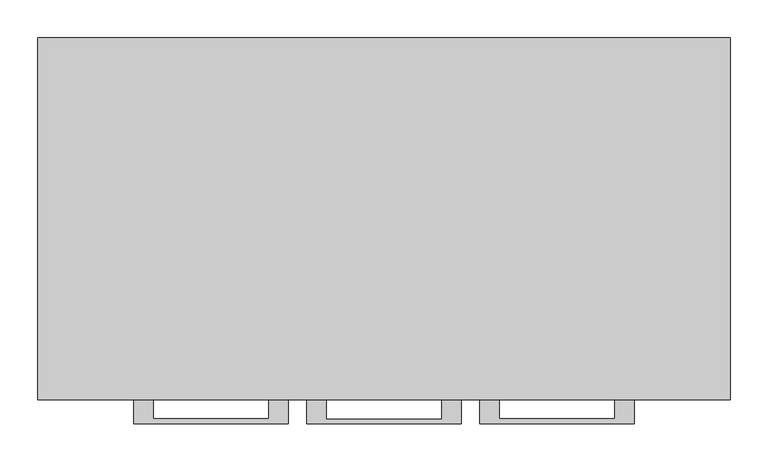
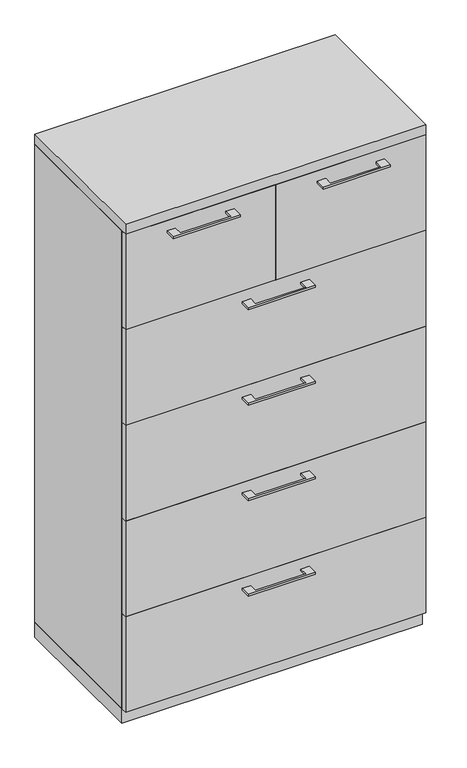
"""IFC4 building model written with IfcOpenShell, lengths in millimetres: furniture geometry."""

import ifcopenshell
import ifcopenshell.guid

model = None  # the IFC model being written
_history = None  # IfcOwnerHistory: only IFC2X3 demands one
_inside = {}  # id of a spatial element -> (the spatial element, [elements in it])
_under = {}  # id of a project, library or spatial element -> (it, [spatial elements below it])
_declared = {}  # id of a project -> (the project, [libraries it declares])
_typed = {}  # id of a type object -> (the type object, [elements of that type])
_made_of = {}  # id of a material, layer set ... -> (it, [elements and type objects made of it])


def new_model(schema):
    """Start an empty IFC model of exactly this schema.

    Asked for "IFC4X3", IfcOpenShell would pick the latest addendum, in which some entities
    have other attributes; the version numbers below select the first issue.
    IFC2X3 requires an IfcOwnerHistory on every rooted entity: one is made here for all.
    """
    global model, _history
    if schema == "IFC4X3":
        model = ifcopenshell.file(schema_version=(4, 3, 0, 0))
    else:
        model = ifcopenshell.file(schema=schema)
    _inside.clear()
    _under.clear()
    _declared.clear()
    _typed.clear()
    _made_of.clear()
    _history = None
    if model.schema == "IFC2X3":
        org = make("IfcOrganization", Name="unknown")
        user = make(
            "IfcPersonAndOrganization",
            ThePerson=make("IfcPerson", FamilyName="unknown"),
            TheOrganization=org,
        )
        app = make(
            "IfcApplication",
            ApplicationDeveloper=org,
            Version="unknown",
            ApplicationFullName="unknown",
            ApplicationIdentifier="unknown",
        )
        _history = make(
            "IfcOwnerHistory",
            OwningUser=user,
            OwningApplication=app,
            ChangeAction="ADDED",
            CreationDate=0,
        )
    return model


def make(cls, **values):
    """One entity of the class cls with the attributes given. An attribute that is None is left unset."""
    return model.create_entity(
        cls, **{name: value for name, value in values.items() if value is not None}
    )


def rooted(cls, **values):
    """An entity with a GlobalId (a new one), such as an element, a storey or a relation."""
    return make(cls, GlobalId=ifcopenshell.guid.new(), OwnerHistory=_history, **values)


def si_unit(unit_type, name, prefix=None):
    """IfcSIUnit, for example si_unit("LENGTHUNIT", "METRE", prefix="MILLI")."""
    return make("IfcSIUnit", UnitType=unit_type, Prefix=prefix, Name=name)


def assignment(units):
    """IfcUnitAssignment: the units of a project."""
    return None if units is None else make("IfcUnitAssignment", Units=units)


def point(xyz):
    """IfcCartesianPoint."""
    return None if xyz is None else make("IfcCartesianPoint", Coordinates=xyz)


def direction(xyz):
    """IfcDirection."""
    return None if xyz is None else make("IfcDirection", DirectionRatios=xyz)


def frame(location, z_axis=None, x_axis=None):
    """IfcAxis2Placement3D, a coordinate frame: its origin and axes. An axis left out is left unset."""
    return make(
        "IfcAxis2Placement3D",
        Location=point(location),
        Axis=direction(z_axis),
        RefDirection=direction(x_axis),
    )


def origin():
    """The frame at (0, 0, 0) with its axes left unset."""
    return frame((0.0, 0.0, 0.0))


def origin_with_axes():
    """The frame at (0, 0, 0) with the z axis (0, 0, 1) and the x axis (1, 0, 0) written out."""
    return frame((0.0, 0.0, 0.0), z_axis=(0.0, 0.0, 1.0), x_axis=(1.0, 0.0, 0.0))


def place(relative_to, where):
    """IfcLocalPlacement: puts the frame where relative to a parent placement (None: the world)."""
    return make(
        "IfcLocalPlacement", PlacementRelTo=relative_to, RelativePlacement=where
    )


def context(
    kind, dimensions, precision=None, world=None, true_north=None, identifier=None
):
    """IfcGeometricRepresentationContext, for example the 3D "Model" context."""
    return make(
        "IfcGeometricRepresentationContext",
        ContextIdentifier=identifier,
        ContextType=kind,
        CoordinateSpaceDimension=dimensions,
        Precision=precision,
        WorldCoordinateSystem=world,
        TrueNorth=true_north,
    )


def project(units=None, contexts=None):
    """IfcProject with its units and contexts."""
    return rooted(
        "IfcProject",
        Name="project",
        RepresentationContexts=contexts,
        UnitsInContext=assignment(units),
    )


def spatial(cls, under=None, at=None, **own):
    """A site, building, storey or space (cls), placed at a placement, below another one or the project."""
    s = rooted(cls, ObjectPlacement=at, **own)
    if under is not None:
        _under.setdefault(under.id(), (under, []))[1].append(s)
    return s


def polyline(points):
    """IfcPolyline through the points."""
    return make("IfcPolyline", Points=[point(p) for p in points])


def outline(outer, holes=None, kind="AREA"):
    """IfcArbitraryClosedProfileDef: a profile drawn as a closed curve; with holes, ...WithVoids."""
    if holes is None:
        return make("IfcArbitraryClosedProfileDef", ProfileType=kind, OuterCurve=outer)
    return make(
        "IfcArbitraryProfileDefWithVoids",
        ProfileType=kind,
        OuterCurve=outer,
        InnerCurves=holes,
    )


def extrude(swept, where, along, depth):
    """IfcExtrudedAreaSolid: the profile swept, set in the frame where, extruded along a direction by depth."""
    return make(
        "IfcExtrudedAreaSolid",
        SweptArea=swept,
        Position=where,
        ExtrudedDirection=direction(along),
        Depth=depth,
    )


def shape(context_of_items, identifier, shape_type, items):
    """IfcShapeRepresentation: the items that make up one representation, for example the "Body"."""
    return make(
        "IfcShapeRepresentation",
        ContextOfItems=context_of_items,
        RepresentationIdentifier=identifier,
        RepresentationType=shape_type,
        Items=items,
    )


def source(mapping_origin, context_of_items, identifier, shape_type, items):
    """IfcRepresentationMap: a shape defined once, which mapped items show again and again."""
    return make(
        "IfcRepresentationMap",
        MappingOrigin=mapping_origin,
        MappedRepresentation=shape(context_of_items, identifier, shape_type, items),
    )


def transform(
    local_origin,
    x_axis=None,
    y_axis=None,
    z_axis=None,
    scale=None,
    scale2=None,
    scale3=None,
    uniform=True,
):
    """IfcCartesianTransformationOperator3D, or its non-uniform kind. x_axis, y_axis, z_axis: its Axis1, 2, 3."""
    if uniform:
        return make(
            "IfcCartesianTransformationOperator3D",
            Axis1=direction(x_axis),
            Axis2=direction(y_axis),
            LocalOrigin=point(local_origin),
            Scale=scale,
            Axis3=direction(z_axis),
        )
    return make(
        "IfcCartesianTransformationOperator3DnonUniform",
        Axis1=direction(x_axis),
        Axis2=direction(y_axis),
        LocalOrigin=point(local_origin),
        Scale=scale,
        Axis3=direction(z_axis),
        Scale2=scale2,
        Scale3=scale3,
    )


def mapped(mapping_source, mapping_target):
    """IfcMappedItem: shows the shape of a source again, moved by a transform."""
    return make(
        "IfcMappedItem", MappingSource=mapping_source, MappingTarget=mapping_target
    )


def made_of(thing, what):
    """Note that an element or type object is made of a material, layer set ...; save() writes the relation."""
    if what is not None:
        _made_of.setdefault(what.id(), (what, []))[1].append(thing)
    return thing


def element(
    cls,
    number,
    at=None,
    inside=None,
    cuts=None,
    type_object=None,
    material=None,
    context=None,
    identifier="Body",
    shape_type=None,
    held_by="IfcProductDefinitionShape",
    body=None,
    shapes=None,
    **own,
):
    """One element of the class cls, such as IfcWall. Its Tag is "e" and its number.

    at: its placement. inside: the storey or other place that contains it. cuts: it is an
    opening in that element (IfcRelVoidsElement). A single representation is given by context,
    identifier, shape_type and body (its items); several are given by shapes. held_by: the class
    of the entity that holds the representations. save() writes the other relations.
    """
    e = rooted(cls, Tag="e%d" % number, ObjectPlacement=at, **own)
    if body is not None:
        shapes = [shape(context, identifier, shape_type, body)]
    if shapes is not None:
        e.Representation = make(held_by, Representations=shapes)
    if inside is not None:
        _inside.setdefault(inside.id(), (inside, []))[1].append(e)
    if cuts is not None:
        rooted(
            "IfcRelVoidsElement", RelatingBuildingElement=cuts, RelatedOpeningElement=e
        )
    if type_object is not None:
        _typed.setdefault(type_object.id(), (type_object, []))[1].append(e)
    return made_of(e, material)


def aggregate(whole, parts):
    """IfcRelAggregates: a whole, such as a stair, and the parts it consists of."""
    return rooted("IfcRelAggregates", RelatingObject=whole, RelatedObjects=parts)


def save(model, path):
    """Write the relations noted so far, then the file.

    IfcRelAggregates (storeys below a building ...), IfcRelContainedInSpatialStructure (elements
    in a storey), IfcRelDefinesByType, IfcRelAssociatesMaterial and IfcRelDeclares: one each for
    every whole, place, type object, material and project.
    """
    for whole, parts in _under.values():
        aggregate(whole, parts)
    for where, things in _inside.values():
        rooted(
            "IfcRelContainedInSpatialStructure",
            RelatedElements=things,
            RelatingStructure=where,
        )
    for kind, things in _typed.values():
        rooted("IfcRelDefinesByType", RelatedObjects=things, RelatingType=kind)
    for what, things in _made_of.values():
        rooted("IfcRelAssociatesMaterial", RelatedObjects=things, RelatingMaterial=what)
    for by, libraries in _declared.values():
        rooted("IfcRelDeclares", RelatingContext=by, RelatedDefinitions=libraries)
    model.write(path)


def furniture_ea1031c6(model_context):
    return source(origin(), model_context, "Body", "SweptSolid", [
        extrude(outline(polyline([(-76.1999818, -476.25), (-76.1999818, -501.6499758), (76.2, -501.6499758), (76.2, -476.25), (101.5999939, -476.25), (101.5999939, -507.9999879), (-101.5999939, -507.9999879), (-101.5999939, -476.25), (-76.1999818, -476.25)])), frame((0.0, 0.0, 1234.7575506), z_axis=(0.0, 0.0, 1.0), x_axis=(1.0, 0.0, 0.0)), (0.0, 0.0, 1.0), 6.3499758),
        extrude(outline(polyline([(455.6125, -457.2), (455.6125, -476.25), (-455.6125, -476.25), (-455.6125, -457.2), (455.6125, -457.2)])), frame((0.0, 0.0, 967.74), z_axis=(0.0, 0.0, 1.0), x_axis=(1.0, 0.0, 0.0)), (0.0, 0.0, 1.0), 306.705),
        extrude(outline(polyline([(-76.1999818, -476.25), (-76.1999818, -501.6499758), (76.2, -501.6499758), (76.2, -476.25), (101.5999939, -476.25), (101.5999939, -507.9999879), (-101.5999939, -507.9999879), (-101.5999939, -476.25), (-76.1999818, -476.25)])), frame((0.0, 0.0, 928.0525506), z_axis=(0.0, 0.0, 1.0), x_axis=(1.0, 0.0, 0.0)), (0.0, 0.0, 1.0), 6.3499758),
        extrude(outline(polyline([(455.6125, -457.2), (455.6125, -476.25), (-455.6125, -476.25), (-455.6125, -457.2), (455.6125, -457.2)])), frame((0.0, 0.0, 661.035), z_axis=(0.0, 0.0, 1.0), x_axis=(1.0, 0.0, 0.0)), (0.0, 0.0, 1.0), 306.705),
        extrude(outline(polyline([(304.0062318, -476.25), (329.4062439, -476.25), (329.4062439, -507.9999879), (126.2062561, -507.9999879), (126.2062561, -476.25), (151.60625, -476.25), (151.60625, -501.6499758), (304.0062318, -501.6499758), (304.0062318, -476.25)])), frame((0.0, 0.0, 1541.4625506), z_axis=(0.0, 0.0, 1.0), x_axis=(1.0, 0.0, 0.0)), (0.0, 0.0, 1.0), 6.3499758),
        extrude(outline(polyline([(0.0, -457.2), (455.6125, -457.2), (455.6125, -476.25), (0.0, -476.25), (0.0, -457.2)])), frame((0.0, 0.0, 1274.445), z_axis=(0.0, 0.0, 1.0), x_axis=(1.0, 0.0, 0.0)), (0.0, 0.0, 1.0), 306.705),
        extrude(outline(polyline([(-304.0062318, -476.25), (-304.0062318, -501.6499758), (-151.60625, -501.6499758), (-151.60625, -476.25), (-126.2062561, -476.25), (-126.2062561, -507.9999879), (-329.4062439, -507.9999879), (-329.4062439, -476.25), (-304.0062318, -476.25)])), frame((0.0, 0.0, 1541.4625506), z_axis=(0.0, 0.0, 1.0), x_axis=(1.0, 0.0, 0.0)), (0.0, 0.0, 1.0), 6.3499758),
        extrude(outline(polyline([(0.0, -457.2), (0.0, -476.25), (-455.6125, -476.25), (-455.6125, -457.2), (0.0, -457.2)])), frame((0.0, 0.0, 1274.445), z_axis=(0.0, 0.0, 1.0), x_axis=(1.0, 0.0, 0.0)), (0.0, 0.0, 1.0), 306.705),
        extrude(outline(polyline([(-76.1999818, -476.25), (-76.1999818, -501.6499758), (76.2, -501.6499758), (76.2, -476.25), (101.5999939, -476.25), (101.5999939, -507.9999879), (-101.5999939, -507.9999879), (-101.5999939, -476.25), (-76.1999818, -476.25)])), frame((0.0, 0.0, 621.3475506), z_axis=(0.0, 0.0, 1.0), x_axis=(1.0, 0.0, 0.0)), (0.0, 0.0, 1.0), 6.3499758),
        extrude(outline(polyline([(455.6125, -457.2), (455.6125, -476.25), (-455.6125, -476.25), (-455.6125, -457.2), (455.6125, -457.2)])), frame((0.0, 0.0, 354.33), z_axis=(0.0, 0.0, 1.0), x_axis=(1.0, 0.0, 0.0)), (0.0, 0.0, 1.0), 306.705),
        extrude(outline(polyline([(-76.1999818, -476.25), (-76.1999818, -501.6499758), (76.2, -501.6499758), (76.2, -476.25), (101.5999939, -476.25), (101.5999939, -507.9999879), (-101.5999939, -507.9999879), (-101.5999939, -476.25), (-76.1999818, -476.25)])), frame((0.0, 0.0, 314.6425506), z_axis=(0.0, 0.0, 1.0), x_axis=(1.0, 0.0, 0.0)), (0.0, 0.0, 1.0), 6.3499758),
        extrude(outline(polyline([(455.6125, -457.2), (455.6125, -476.25), (-455.6125, -476.25), (-455.6125, -457.2), (455.6125, -457.2)])), frame((0.0, 0.0, 47.625), z_axis=(0.0, 0.0, 1.0), x_axis=(1.0, 0.0, 0.0)), (0.0, 0.0, 1.0), 306.705),
        extrude(outline(polyline([(455.6125, 0.0), (455.6125, -457.2), (-455.6125, -457.2), (-455.6125, 0.0), (455.6125, 0.0)])), origin_with_axes(), (0.0, 0.0, 1.0), 47.625),
        extrude(outline(polyline([(455.6125, 0.0), (455.6125, -476.25), (-455.6125, -476.25), (-455.6125, 0.0), (455.6125, 0.0)])), frame((0.0, 0.0, 1581.15), z_axis=(0.0, 0.0, 1.0), x_axis=(1.0, 0.0, 0.0)), (0.0, 0.0, 1.0), 31.75),
        extrude(outline(polyline([(455.6125, 0.0), (455.6125, -457.2), (436.5625, -457.2), (436.5625, -19.05), (-436.5625, -19.05), (-436.5625, -457.2), (-455.6125, -457.2), (-455.6125, 0.0), (455.6125, 0.0)])), frame((0.0, 0.0, 47.625), z_axis=(0.0, 0.0, 1.0), x_axis=(1.0, 0.0, 0.0)), (0.0, 0.0, 1.0), 1533.525),
    ])


if __name__ == "__main__":
    model = new_model("IFC4")
    model_context = context("Model", 3, world=origin())
    ifc_project = project(units=[si_unit("LENGTHUNIT", "METRE", prefix="MILLI")], contexts=[model_context])
    site = spatial("IfcSite", under=ifc_project)
    building = spatial("IfcBuilding", under=site)
    placement = place(None, origin())
    furniture_shape = furniture_ea1031c6(model_context)
    element("IfcFurniture", 1, at=placement, inside=building, context=model_context, shape_type="MappedRepresentation", body=[
        mapped(furniture_shape, transform((0.0, 0.0, 0.0), x_axis=(1.0, 0.0, 0.0), y_axis=(0.0, 1.0, 0.0), z_axis=(0.0, 0.0, 1.0))),
    ])
    save(model, "model.ifc")
